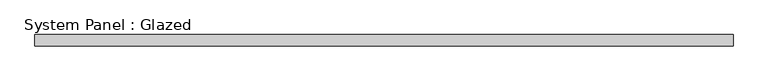
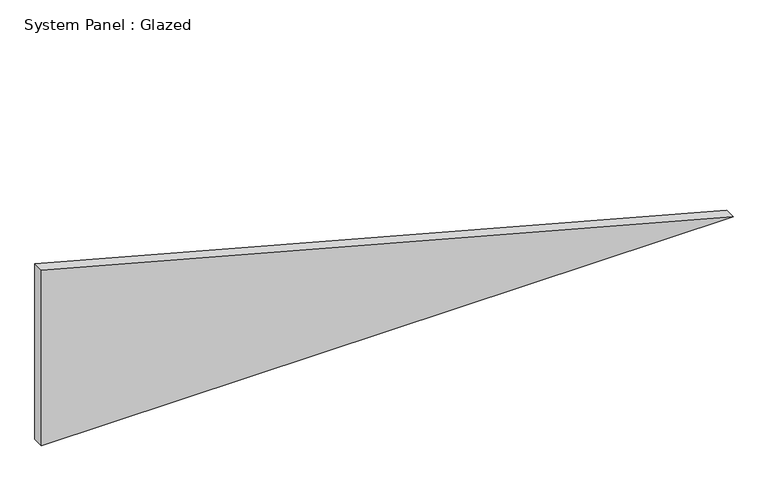
"""IFC4 building model written with IfcOpenShell, lengths in millimetres: plate geometry, System Panel : Glazed."""

from ifc_helpers import new_model, si_unit, frame, origin, place, context, project, spatial, polyline, outline, extrude, source, transform, mapped, element, save


def system_panel_glazed_653925a7(model_context):
    return source(origin(), model_context, "Body", "SweptSolid", [
        extrude(outline(polyline([(0.0, -758.7804335), (0.0, 758.7804335), (406.6292088, -758.7804335), (0.0, -758.7804335)])), frame((0.0, -22.5, 0.0), z_axis=(0.0, 1.0, 0.0), x_axis=(0.0, 0.0, 1.0)), (0.0, 0.0, 1.0), 25.0),
    ])


if __name__ == "__main__":
    model = new_model("IFC4")
    model_context = context("Model", 3, world=origin())
    ifc_project = project(units=[si_unit("LENGTHUNIT", "METRE", prefix="MILLI")], contexts=[model_context])
    site = spatial("IfcSite", under=ifc_project)
    building = spatial("IfcBuilding", under=site)
    placement = place(None, origin())
    system_panel_glazed_shape = system_panel_glazed_653925a7(model_context)
    element("IfcPlate", 1, ObjectType="System Panel : Glazed", at=placement, inside=building, context=model_context, shape_type="MappedRepresentation", body=[
        mapped(system_panel_glazed_shape, transform((0.0, 0.0, 0.0), x_axis=(1.0, 0.0, 0.0), y_axis=(0.0, 1.0, 0.0), z_axis=(0.0, 0.0, 1.0))),
    ])
    save(model, "model.ifc")
